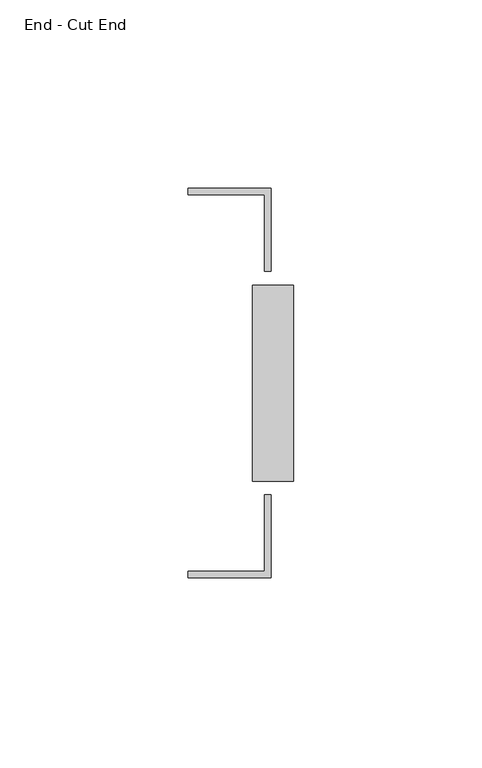
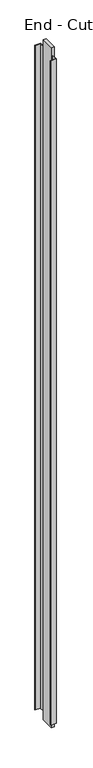
"""IFC4 building model written with IfcOpenShell, lengths in millimetres: furniture geometry, End - Cut End."""

from ifc_helpers import new_model, si_unit, frame, origin, origin_with_axes, place, context, project, spatial, polyline, outline, extrude, source, transform, mapped, element, save


def end_cut_end_b7edea23(model_context):
    return source(origin(), model_context, "Body", "SweptSolid", [
        extrude(outline(polyline([(-171.2389765, 51.6998433), (-171.2389765, 29.7005773), (-172.9389198, 29.7005773), (-172.9389198, 49.9999), (-193.2382425, 49.9999), (-193.2382425, 51.6998433), (-171.2389765, 51.6998433)])), frame((0.0, 0.0, 32.004), z_axis=(0.0, 0.0, 1.0), x_axis=(1.0, 0.0, 0.0)), (0.0, 0.0, 1.0), 2679.192),
        extrude(outline(polyline([(-171.2389765, -51.6998433), (-193.2382425, -51.6998433), (-193.2382425, -49.9999), (-172.9389198, -49.9999), (-172.9389198, -29.7005773), (-171.2389765, -29.7005773), (-171.2389765, -51.6998433)])), frame((0.0, 0.0, 32.004), z_axis=(0.0, 0.0, 1.0), x_axis=(1.0, 0.0, 0.0)), (0.0, 0.0, 1.0), 2679.192),
        extrude(outline(polyline([(-176.1915113, 25.9969), (-165.2445765, 25.9969), (-165.2445765, -25.9969), (-176.1915113, -25.9969), (-176.1915113, 25.9969)])), origin_with_axes(), (0.0, 0.0, 1.0), 2743.2),
    ])


if __name__ == "__main__":
    model = new_model("IFC4")
    model_context = context("Model", 3, world=origin())
    ifc_project = project(units=[si_unit("LENGTHUNIT", "METRE", prefix="MILLI")], contexts=[model_context])
    site = spatial("IfcSite", under=ifc_project)
    building = spatial("IfcBuilding", under=site)
    placement = place(None, origin())
    end_cut_end_shape = end_cut_end_b7edea23(model_context)
    element("IfcFurniture", 1, ObjectType="End - Cut End", at=placement, inside=building, context=model_context, shape_type="MappedRepresentation", body=[
        mapped(end_cut_end_shape, transform((0.0, 0.0, 0.0), x_axis=(1.0, 0.0, 0.0), y_axis=(0.0, 1.0, 0.0), z_axis=(0.0, 0.0, 1.0))),
    ])
    save(model, "model.ifc")
